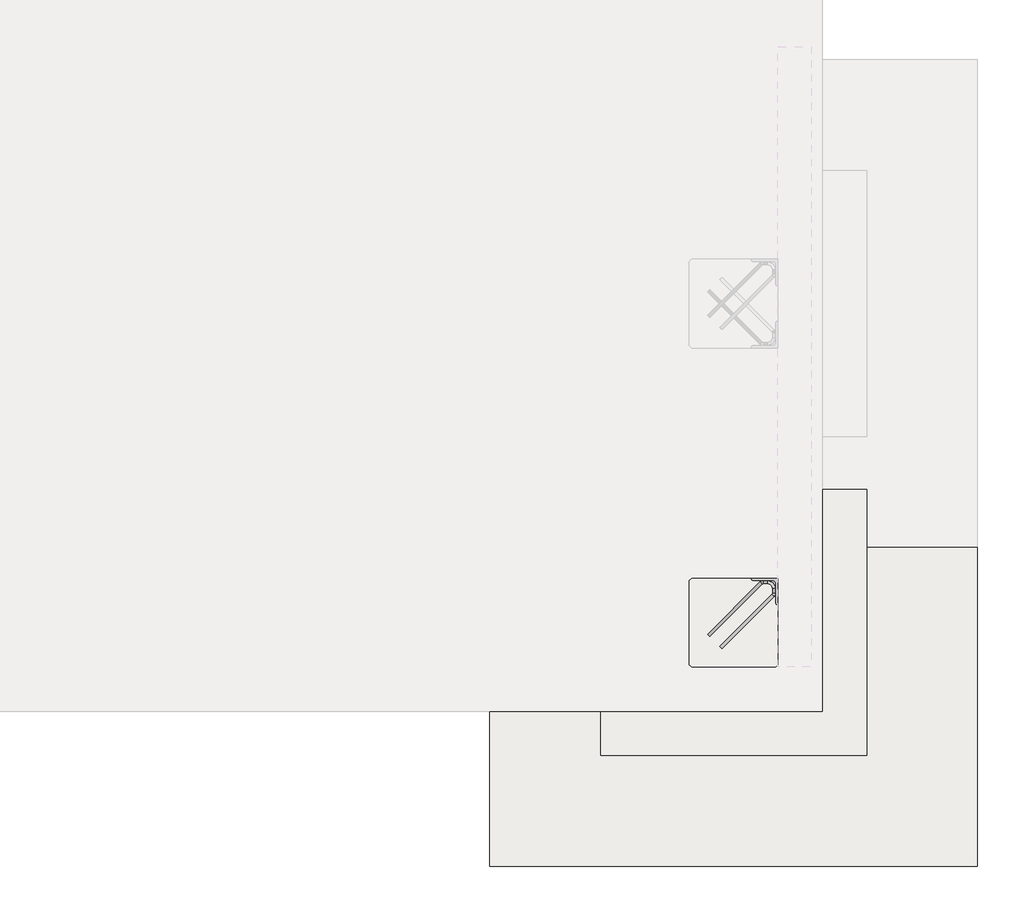
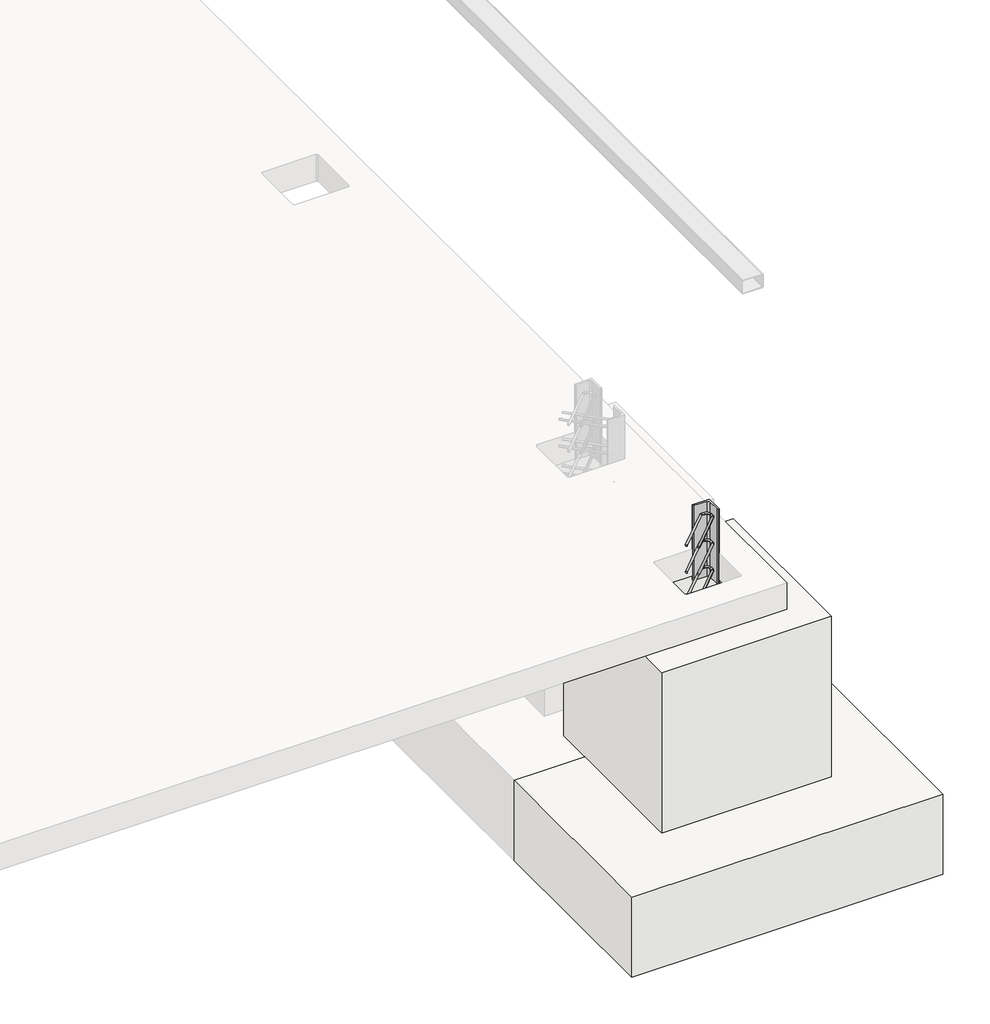
# One storey, part 53 of 65: 1 fastener, 1 slab.
"""IFC4 building model written with IfcOpenShell, lengths in millimetres."""

from ifc_helpers import new_model, si_unit, point, frame, frame_2d, origin, place, context, project, spatial, polyline, circle_curve, ellipse_curve, trimmed, segment, composite_curve, outline, extrude, faceted_brep, element, save
from ifc_brep_helpers import plane_surface, cylinder_surface, revolved_surface, advanced_brep

model = new_model("IFC4")

# Units and contexts
model_context = context("Model", 3, world=origin())
ifc_project = project(units=[si_unit("LENGTHUNIT", "METRE", prefix="MILLI")], contexts=[model_context])

# Site, building, storey
site = spatial("IfcSite", under=ifc_project)
building = spatial("IfcBuilding", under=site)
storey = spatial("IfcBuildingStorey", under=building, Elevation=0.0)

# Fastener
placement = place(None, origin())
element("IfcFastener", 1, at=placement, inside=storey, context=model_context, shape_type="SolidModel", body=[
    advanced_brep(
    [(81882.5628791, 9947.4623741, -150.0), (81892.4623741, 9937.5628791, -150.0), (81947.4623741, 9882.5628791, -150.0), (81937.5628791, 9892.4623741, -150.0), (82176.0, 10153.0, -150.0), (82176.0, 10134.2132034, -150.0), (82190.0, 10134.2132034, -150.0), (82190.0, 10153.0, -150.0), (82153.0, 10190.0, -150.0), (82153.0, 10176.0, -150.0), (82134.2132034, 10176.0, -150.0), (82134.2132034, 10190.0, -150.0), (82128.5563492, 10173.6568542, -150.0), (82118.6568543, 10183.5563492, -150.0), (82173.6568543, 10128.5563492, -150.0), (82183.5563492, 10118.6568542, -150.0)],
    [
        (0, 1, circle_curve(frame((81887.5126266, 9942.5126266, -150.0), z_axis=(-0.7071067811865493, -0.7071067811865459, 0.0), x_axis=(0.7071067811865459, -0.7071067811865493, 0.0)), 7.0)),
        (1, 0, circle_curve(frame((81887.5126266, 9942.5126266, -150.0), z_axis=(-0.7071067811865493, -0.7071067811865459, 0.0), x_axis=(0.7071067811865459, -0.7071067811865493, 0.0)), 7.0)),
        (2, 3, circle_curve(frame((81942.5126266, 9887.5126266, -150.0), z_axis=(-0.7071067811865493, -0.7071067811865457, 0.0), x_axis=(-0.7071067811865457, 0.7071067811865493, 0.0)), 7.0)),
        (3, 2, circle_curve(frame((81942.5126266, 9887.5126266, -150.0), z_axis=(-0.7071067811865493, -0.7071067811865457, 0.0), x_axis=(-0.7071067811865457, 0.7071067811865493, 0.0)), 7.0)),
        (4, 5),
        (5, 6, circle_curve(frame((82183.0, 10134.2132034, -150.0), z_axis=(0.0, 1.0, 0.0), x_axis=(-1.0, 0.0, 0.0)), 7.0)),
        (6, 7),
        (7, 4, circle_curve(frame((82183.0, 10153.0, -150.0), z_axis=(0.0, -1.0, 0.0), x_axis=(-1.0, 0.0, 0.0)), 7.0)),
        (6, 5, circle_curve(frame((82183.0, 10134.2132034, -150.0), z_axis=(0.0, 1.0, 0.0), x_axis=(-1.0, 0.0, 0.0)), 7.0)),
        (4, 7, circle_curve(frame((82183.0, 10153.0, -150.0), z_axis=(0.0, -1.0, 0.0), x_axis=(-1.0, 0.0, 0.0)), 7.0)),
        (7, 8, circle_curve(frame((82153.0, 10153.0, -150.0), z_axis=(0.0, 0.0, 1.0), x_axis=(0.0, 1.0, 0.0)), 37.0)),
        (8, 9, circle_curve(frame((82153.0, 10183.0, -150.0), z_axis=(1.0, 0.0, 0.0), x_axis=(0.0, -1.0, 0.0)), 7.0)),
        (9, 4, circle_curve(frame((82153.0, 10153.0, -150.0), z_axis=(0.0, 0.0, -1.0), x_axis=(0.0, 1.0, 0.0)), 23.0)),
        (9, 8, circle_curve(frame((82153.0, 10183.0, -150.0), z_axis=(1.0, 0.0, 0.0), x_axis=(0.0, -1.0, 0.0)), 7.0)),
        (10, 9),
        (8, 11),
        (11, 10, circle_curve(frame((82134.2132034, 10183.0, -150.0), z_axis=(1.0, 0.0, 0.0), x_axis=(0.0, -1.0, 0.0)), 7.0)),
        (10, 11, circle_curve(frame((82134.2132034, 10183.0, -150.0), z_axis=(1.0, 0.0, 0.0), x_axis=(0.0, -1.0, 0.0)), 7.0)),
        (1, 12),
        (12, 13, circle_curve(frame((82123.6066017, 10178.6066017, -150.0), z_axis=(-0.7071067811865493, -0.7071067811865459, 0.0), x_axis=(0.7071067811865459, -0.7071067811865493, 0.0)), 7.0)),
        (13, 0),
        (13, 12, circle_curve(frame((82123.6066017, 10178.6066017, -150.0), z_axis=(-0.7071067811865493, -0.7071067811865459, 0.0), x_axis=(0.7071067811865459, -0.7071067811865493, 0.0)), 7.0)),
        (11, 13, circle_curve(frame((82134.2132034, 10168.0, -150.0), z_axis=(0.0, 0.0, 1.0), x_axis=(-0.7071067811865459, 0.7071067811865491, 0.0)), 22.0)),
        (12, 10, circle_curve(frame((82134.2132034, 10168.0, -150.0), z_axis=(0.0, 0.0, -1.0), x_axis=(-0.7071067811865459, 0.7071067811865491, 0.0)), 8.0)),
        (14, 15, circle_curve(frame((82178.6066017, 10123.6066017, -150.0), z_axis=(0.7071067811865498, 0.7071067811865452, 0.0), x_axis=(-0.7071067811865452, 0.7071067811865498, 0.0)), 7.0)),
        (15, 6, circle_curve(frame((82168.0, 10134.2132034, -150.0), z_axis=(0.0, 0.0, 1.0), x_axis=(1.0, 0.0, 0.0)), 22.0)),
        (5, 14, circle_curve(frame((82168.0, 10134.2132034, -150.0), z_axis=(0.0, 0.0, -1.0), x_axis=(1.0, 0.0, 0.0)), 8.0)),
        (15, 14, circle_curve(frame((82178.6066017, 10123.6066017, -150.0), z_axis=(0.7071067811865495, 0.7071067811865456, 0.0), x_axis=(-0.7071067811865456, 0.7071067811865495, 0.0)), 7.0)),
        (14, 3),
        (2, 15),
    ],
    [
        plane_surface(frame((81887.5126266, 9942.5126266, -150.0), z_axis=(-0.7071067811865493, -0.7071067811865459, 0.0), x_axis=(0.0, 0.0, 1.0))),
        plane_surface(frame((81942.5126266, 9887.5126266, -150.0), z_axis=(-0.7071067811865493, -0.7071067811865457, 0.0), x_axis=(0.0, 0.0, 1.0))),
        cylinder_surface(frame((82183.0, 10153.0, -150.0), z_axis=(0.0, 1.0, 0.0), x_axis=(-1.0, 0.0, 0.0)), 7.0),
        revolved_surface(trimmed(ellipse_curve(frame((82153.0, 10183.0, -150.0), z_axis=(1.0, 0.0, 0.0), x_axis=(0.0, -1.0, 0.0)), 7.0, 7.0), [point((82153.0, 10190.0, -150.0))], [point((82153.0, 10176.0, -150.0))], True, "CARTESIAN"), (82153.0, 10153.0, -150.0), (0.0, 0.0, 1.0)),
        revolved_surface(trimmed(ellipse_curve(frame((82153.0, 10183.0, -150.0), z_axis=(1.0, 0.0, 0.0), x_axis=(0.0, -1.0, 0.0)), 7.0, 7.0), [point((82153.0, 10176.0, -150.0))], [point((82153.0, 10190.0, -150.0))], True, "CARTESIAN"), (82153.0, 10153.0, -150.0), (0.0, 0.0, 1.0)),
        cylinder_surface(frame((82134.2132034, 10183.0, -150.0), z_axis=(-1.0, 0.0, 0.0), x_axis=(0.0, -1.0, 0.0)), 7.0),
        cylinder_surface(frame((81887.5126266, 9942.5126266, -150.0), z_axis=(-0.7071067811865493, -0.7071067811865459, 0.0), x_axis=(0.7071067811865459, -0.7071067811865493, 0.0)), 7.0),
        revolved_surface(trimmed(ellipse_curve(frame((82123.6066017, 10178.6066017, -150.0), z_axis=(0.7071067811865491, 0.7071067811865459, 0.0), x_axis=(0.7071067811865459, -0.7071067811865491, 0.0)), 7.0, 7.0), [point((82118.6568543, 10183.5563492, -150.0))], [point((82128.5563492, 10173.6568542, -150.0))], True, "CARTESIAN"), (82134.2132034, 10168.0, -150.0), (0.0, 0.0, 1.0)),
        revolved_surface(trimmed(ellipse_curve(frame((82123.6066017, 10178.6066017, -150.0), z_axis=(0.7071067811865491, 0.7071067811865459, 0.0), x_axis=(0.7071067811865459, -0.7071067811865491, 0.0)), 7.0, 7.0), [point((82128.5563492, 10173.6568542, -150.0))], [point((82118.6568543, 10183.5563492, -150.0))], True, "CARTESIAN"), (82134.2132034, 10168.0, -150.0), (0.0, 0.0, 1.0)),
        revolved_surface(trimmed(ellipse_curve(frame((82183.0, 10134.2132034, -150.0), z_axis=(0.0, -1.0, 0.0), x_axis=(-1.0, 0.0, 0.0)), 7.0, 7.0), [point((82190.0, 10134.2132034, -150.0))], [point((82176.0, 10134.2132034, -150.0))], True, "CARTESIAN"), (82168.0, 10134.2132034, -150.0), (0.0, 0.0, 1.0)),
        revolved_surface(trimmed(ellipse_curve(frame((82183.0, 10134.2132034, -150.0), z_axis=(0.0, -1.0, 0.0), x_axis=(-1.0, 0.0, 0.0)), 7.0, 7.0), [point((82176.0, 10134.2132034, -150.0))], [point((82190.0, 10134.2132034, -150.0))], True, "CARTESIAN"), (82168.0, 10134.2132034, -150.0), (0.0, 0.0, 1.0)),
        cylinder_surface(frame((82178.6066017, 10123.6066017, -150.0), z_axis=(0.7071067811865493, 0.7071067811865457, 0.0), x_axis=(-0.7071067811865457, 0.7071067811865493, 0.0)), 7.0),
    ],
    [
        (0, [[1, 2]]),
        (1, [[3, 4]]),
        (2, [[5, 6, 7, 8]]),
        (2, [[-7, 9, -5, 10]]),
        (3, [[-8, 11, 12, 13]]),
        (4, [[-10, -13, 14, -11]]),
        (5, [[15, -12, 16, 17]]),
        (5, [[-16, -14, -15, 18]]),
        (6, [[19, 20, 21, -2]]),
        (6, [[-21, 22, -19, -1]]),
        (7, [[-17, 23, -20, 24]]),
        (8, [[-18, -24, -22, -23]]),
        (9, [[25, 26, -6, 27]]),
        (10, [[28, -27, -9, -26]]),
        (11, [[29, -3, 30, -25]]),
        (11, [[-30, -4, -29, -28]]),
    ],
),
    advanced_brep(
    [(81892.4623741, 9937.5628791, 250.0), (81882.5628791, 9947.4623741, 250.0), (81937.5628791, 9892.4623741, 250.0), (81947.4623741, 9882.5628791, 250.0), (82190.0, 10153.0, 250.0), (82190.0, 10134.2132034, 250.0), (82176.0, 10134.2132034, 250.0), (82176.0, 10153.0, 250.0), (82153.0, 10176.0, 250.0), (82153.0, 10190.0, 250.0), (82134.2132034, 10190.0, 250.0), (82134.2132034, 10176.0, 250.0), (82118.6568543, 10183.5563492, 250.0), (82128.5563492, 10173.6568542, 250.0), (82183.5563492, 10118.6568542, 250.0), (82173.6568543, 10128.5563492, 250.0)],
    [
        (0, 1, circle_curve(frame((81887.5126266, 9942.5126266, 250.0), z_axis=(-0.7071067811865493, -0.7071067811865459, 0.0), x_axis=(-0.7071067811865459, 0.7071067811865493, 0.0)), 7.0)),
        (1, 0, circle_curve(frame((81887.5126266, 9942.5126266, 250.0), z_axis=(-0.7071067811865493, -0.7071067811865459, 0.0), x_axis=(-0.7071067811865459, 0.7071067811865493, 0.0)), 7.0)),
        (2, 3, circle_curve(frame((81942.5126266, 9887.5126266, 250.0), z_axis=(-0.7071067811865493, -0.7071067811865458, 0.0), x_axis=(0.7071067811865458, -0.7071067811865493, 0.0)), 7.0)),
        (3, 2, circle_curve(frame((81942.5126266, 9887.5126266, 250.0), z_axis=(-0.7071067811865493, -0.7071067811865458, 0.0), x_axis=(0.7071067811865458, -0.7071067811865493, 0.0)), 7.0)),
        (4, 5),
        (5, 6, circle_curve(frame((82183.0, 10134.2132034, 250.0), z_axis=(0.0, 1.0, 0.0), x_axis=(1.0, 0.0, 0.0)), 7.0)),
        (6, 7),
        (7, 4, circle_curve(frame((82183.0, 10153.0, 250.0), z_axis=(0.0, -1.0, 0.0), x_axis=(1.0, 0.0, 0.0)), 7.0)),
        (6, 5, circle_curve(frame((82183.0, 10134.2132034, 250.0), z_axis=(0.0, 1.0, 0.0), x_axis=(1.0, 0.0, 0.0)), 7.0)),
        (4, 7, circle_curve(frame((82183.0, 10153.0, 250.0), z_axis=(0.0, -1.0, 0.0), x_axis=(1.0, 0.0, 0.0)), 7.0)),
        (7, 8, circle_curve(frame((82153.0, 10153.0, 250.0), z_axis=(0.0, 0.0, 1.0), x_axis=(0.0, 1.0, 0.0)), 23.0)),
        (8, 9, circle_curve(frame((82153.0, 10183.0, 250.0), z_axis=(1.0, 0.0, 0.0), x_axis=(0.0, 1.0, 0.0)), 7.0)),
        (9, 4, circle_curve(frame((82153.0, 10153.0, 250.0), z_axis=(0.0, 0.0, -1.0), x_axis=(0.0, 1.0, 0.0)), 37.0)),
        (9, 8, circle_curve(frame((82153.0, 10183.0, 250.0), z_axis=(1.0, 0.0, 0.0), x_axis=(0.0, 1.0, 0.0)), 7.0)),
        (10, 9),
        (8, 11),
        (11, 10, circle_curve(frame((82134.2132034, 10183.0, 250.0), z_axis=(1.0, 0.0, 0.0), x_axis=(0.0, 1.0, 0.0)), 7.0)),
        (10, 11, circle_curve(frame((82134.2132034, 10183.0, 250.0), z_axis=(1.0, 0.0, 0.0), x_axis=(0.0, 1.0, 0.0)), 7.0)),
        (1, 12),
        (12, 13, circle_curve(frame((82123.6066017, 10178.6066017, 250.0), z_axis=(-0.7071067811865493, -0.7071067811865459, 0.0), x_axis=(-0.7071067811865459, 0.7071067811865493, 0.0)), 7.0)),
        (13, 0),
        (13, 12, circle_curve(frame((82123.6066017, 10178.6066017, 250.0), z_axis=(-0.7071067811865493, -0.7071067811865459, 0.0), x_axis=(-0.7071067811865459, 0.7071067811865493, 0.0)), 7.0)),
        (11, 13, circle_curve(frame((82134.2132034, 10168.0, 250.0), z_axis=(0.0, 0.0, 1.0), x_axis=(-0.7071067811865459, 0.7071067811865491, 0.0)), 8.0)),
        (12, 10, circle_curve(frame((82134.2132034, 10168.0, 250.0), z_axis=(0.0, 0.0, -1.0), x_axis=(-0.7071067811865459, 0.7071067811865491, 0.0)), 22.0)),
        (14, 15, circle_curve(frame((82178.6066017, 10123.6066017, 250.0), z_axis=(0.70710678118655, 0.707106781186545, 0.0), x_axis=(0.707106781186545, -0.70710678118655, 0.0)), 7.0)),
        (15, 6, circle_curve(frame((82168.0, 10134.2132034, 250.0), z_axis=(0.0, 0.0, 1.0), x_axis=(1.0, 0.0, 0.0)), 8.0)),
        (5, 14, circle_curve(frame((82168.0, 10134.2132034, 250.0), z_axis=(0.0, 0.0, -1.0), x_axis=(1.0, 0.0, 0.0)), 22.0)),
        (15, 14, circle_curve(frame((82178.6066017, 10123.6066017, 250.0), z_axis=(0.707106781186551, 0.707106781186544, 0.0), x_axis=(0.707106781186544, -0.707106781186551, 0.0)), 7.0)),
        (14, 3),
        (2, 15),
    ],
    [
        plane_surface(frame((81887.5126266, 9942.5126266, 250.0), z_axis=(-0.7071067811865493, -0.7071067811865459, 0.0), x_axis=(0.0, 0.0, -1.0))),
        plane_surface(frame((81942.5126266, 9887.5126266, 250.0), z_axis=(-0.7071067811865493, -0.7071067811865458, 0.0), x_axis=(0.0, 0.0, -1.0))),
        cylinder_surface(frame((82183.0, 10153.0, 250.0), z_axis=(0.0, 1.0, 0.0), x_axis=(1.0, 0.0, 0.0)), 7.0),
        revolved_surface(trimmed(ellipse_curve(frame((82153.0, 10183.0, 250.0), z_axis=(1.0, 0.0, 0.0), x_axis=(0.0, 1.0, 0.0)), 7.0, 7.0), [point((82153.0, 10176.0, 250.0))], [point((82153.0, 10190.0, 250.0))], True, "CARTESIAN"), (82153.0, 10153.0, 250.0), (0.0, 0.0, 1.0)),
        revolved_surface(trimmed(ellipse_curve(frame((82153.0, 10183.0, 250.0), z_axis=(1.0, 0.0, 0.0), x_axis=(0.0, 1.0, 0.0)), 7.0, 7.0), [point((82153.0, 10190.0, 250.0))], [point((82153.0, 10176.0, 250.0))], True, "CARTESIAN"), (82153.0, 10153.0, 250.0), (0.0, 0.0, 1.0)),
        cylinder_surface(frame((82134.2132034, 10183.0, 250.0), z_axis=(-1.0, 0.0, 0.0), x_axis=(0.0, 1.0, 0.0)), 7.0),
        cylinder_surface(frame((81887.5126266, 9942.5126266, 250.0), z_axis=(-0.7071067811865493, -0.7071067811865459, 0.0), x_axis=(-0.7071067811865459, 0.7071067811865493, 0.0)), 7.0),
        revolved_surface(trimmed(ellipse_curve(frame((82123.6066017, 10178.6066017, 250.0), z_axis=(0.7071067811865491, 0.7071067811865459, 0.0), x_axis=(-0.7071067811865459, 0.7071067811865491, 0.0)), 7.0, 7.0), [point((82128.5563492, 10173.6568542, 250.0))], [point((82118.6568543, 10183.5563492, 250.0))], True, "CARTESIAN"), (82134.2132034, 10168.0, 250.0), (0.0, 0.0, 1.0)),
        revolved_surface(trimmed(ellipse_curve(frame((82123.6066017, 10178.6066017, 250.0), z_axis=(0.7071067811865491, 0.7071067811865459, 0.0), x_axis=(-0.7071067811865459, 0.7071067811865491, 0.0)), 7.0, 7.0), [point((82118.6568543, 10183.5563492, 250.0))], [point((82128.5563492, 10173.6568542, 250.0))], True, "CARTESIAN"), (82134.2132034, 10168.0, 250.0), (0.0, 0.0, 1.0)),
        revolved_surface(trimmed(ellipse_curve(frame((82183.0, 10134.2132034, 250.0), z_axis=(0.0, -1.0, 0.0), x_axis=(1.0, 0.0, 0.0)), 7.0, 7.0), [point((82176.0, 10134.2132034, 250.0))], [point((82190.0, 10134.2132034, 250.0))], True, "CARTESIAN"), (82168.0, 10134.2132034, 250.0), (0.0, 0.0, 1.0)),
        revolved_surface(trimmed(ellipse_curve(frame((82183.0, 10134.2132034, 250.0), z_axis=(0.0, -1.0, 0.0), x_axis=(1.0, 0.0, 0.0)), 7.0, 7.0), [point((82190.0, 10134.2132034, 250.0))], [point((82176.0, 10134.2132034, 250.0))], True, "CARTESIAN"), (82168.0, 10134.2132034, 250.0), (0.0, 0.0, 1.0)),
        cylinder_surface(frame((82178.6066017, 10123.6066017, 250.0), z_axis=(0.7071067811865493, 0.7071067811865458, 0.0), x_axis=(0.7071067811865458, -0.7071067811865493, 0.0)), 7.0),
    ],
    [
        (0, [[1, 2]]),
        (1, [[3, 4]]),
        (2, [[5, 6, 7, 8]]),
        (2, [[-7, 9, -5, 10]]),
        (3, [[-8, 11, 12, 13]]),
        (4, [[-10, -13, 14, -11]]),
        (5, [[15, -12, 16, 17]]),
        (5, [[-16, -14, -15, 18]]),
        (6, [[19, 20, 21, -2]]),
        (6, [[-21, 22, -19, -1]]),
        (7, [[-17, 23, -20, 24]]),
        (8, [[-18, -24, -22, -23]]),
        (9, [[25, 26, -6, 27]]),
        (10, [[28, -27, -9, -26]]),
        (11, [[29, -3, 30, -25]]),
        (11, [[-30, -4, -29, -28]]),
    ],
),
    advanced_brep(
    [(81892.4623741, 9937.5628791, 50.0), (81882.5628791, 9947.4623741, 50.0), (81937.5628791, 9892.4623741, 50.0), (81947.4623741, 9882.5628791, 50.0), (82190.0, 10153.0, 50.0), (82190.0, 10134.2132034, 50.0), (82176.0, 10134.2132034, 50.0), (82176.0, 10153.0, 50.0), (82153.0, 10176.0, 50.0), (82153.0, 10190.0, 50.0), (82134.2132034, 10190.0, 50.0), (82134.2132034, 10176.0, 50.0), (82118.6568543, 10183.5563492, 50.0), (82128.5563492, 10173.6568542, 50.0), (82183.5563492, 10118.6568542, 50.0), (82173.6568543, 10128.5563492, 50.0)],
    [
        (0, 1, circle_curve(frame((81887.5126266, 9942.5126266, 50.0), z_axis=(-0.7071067811865492, -0.7071067811865458, 0.0), x_axis=(-0.7071067811865458, 0.7071067811865492, 0.0)), 7.0)),
        (1, 0, circle_curve(frame((81887.5126266, 9942.5126266, 50.0), z_axis=(-0.7071067811865492, -0.7071067811865458, 0.0), x_axis=(-0.7071067811865458, 0.7071067811865492, 0.0)), 7.0)),
        (2, 3, circle_curve(frame((81942.5126266, 9887.5126266, 50.0), z_axis=(-0.7071067811865493, -0.7071067811865458, 0.0), x_axis=(0.7071067811865458, -0.7071067811865493, 0.0)), 7.0)),
        (3, 2, circle_curve(frame((81942.5126266, 9887.5126266, 50.0), z_axis=(-0.7071067811865493, -0.7071067811865458, 0.0), x_axis=(0.7071067811865458, -0.7071067811865493, 0.0)), 7.0)),
        (4, 5),
        (5, 6, circle_curve(frame((82183.0, 10134.2132034, 50.0), z_axis=(0.0, 1.0, 0.0), x_axis=(1.0, 0.0, 0.0)), 7.0)),
        (6, 7),
        (7, 4, circle_curve(frame((82183.0, 10153.0, 50.0), z_axis=(0.0, -1.0, 0.0), x_axis=(1.0, 0.0, 0.0)), 7.0)),
        (6, 5, circle_curve(frame((82183.0, 10134.2132034, 50.0), z_axis=(0.0, 1.0, 0.0), x_axis=(1.0, 0.0, 0.0)), 7.0)),
        (4, 7, circle_curve(frame((82183.0, 10153.0, 50.0), z_axis=(0.0, -1.0, 0.0), x_axis=(1.0, 0.0, 0.0)), 7.0)),
        (7, 8, circle_curve(frame((82153.0, 10153.0, 50.0), z_axis=(0.0, 0.0, 1.0), x_axis=(0.0, 1.0, 0.0)), 23.0)),
        (8, 9, circle_curve(frame((82153.0, 10183.0, 50.0), z_axis=(1.0, 0.0, 0.0), x_axis=(0.0, 1.0, 0.0)), 7.0)),
        (9, 4, circle_curve(frame((82153.0, 10153.0, 50.0), z_axis=(0.0, 0.0, -1.0), x_axis=(0.0, 1.0, 0.0)), 37.0)),
        (9, 8, circle_curve(frame((82153.0, 10183.0, 50.0), z_axis=(1.0, 0.0, 0.0), x_axis=(0.0, 1.0, 0.0)), 7.0)),
        (10, 9),
        (8, 11),
        (11, 10, circle_curve(frame((82134.2132034, 10183.0, 50.0), z_axis=(1.0, 0.0, 0.0), x_axis=(0.0, 1.0, 0.0)), 7.0)),
        (10, 11, circle_curve(frame((82134.2132034, 10183.0, 50.0), z_axis=(1.0, 0.0, 0.0), x_axis=(0.0, 1.0, 0.0)), 7.0)),
        (1, 12),
        (12, 13, circle_curve(frame((82123.6066017, 10178.6066017, 50.0), z_axis=(-0.7071067811865492, -0.7071067811865458, 0.0), x_axis=(-0.7071067811865458, 0.7071067811865492, 0.0)), 7.0)),
        (13, 0),
        (13, 12, circle_curve(frame((82123.6066017, 10178.6066017, 50.0), z_axis=(-0.7071067811865492, -0.7071067811865458, 0.0), x_axis=(-0.7071067811865458, 0.7071067811865492, 0.0)), 7.0)),
        (11, 13, circle_curve(frame((82134.2132034, 10168.0, 50.0), z_axis=(0.0, 0.0, 1.0), x_axis=(-0.7071067811865459, 0.7071067811865491, 0.0)), 8.0)),
        (12, 10, circle_curve(frame((82134.2132034, 10168.0, 50.0), z_axis=(0.0, 0.0, -1.0), x_axis=(-0.7071067811865459, 0.7071067811865491, 0.0)), 22.0)),
        (14, 15, circle_curve(frame((82178.6066017, 10123.6066017, 50.0), z_axis=(0.7071067811865495, 0.7071067811865456, 0.0), x_axis=(0.7071067811865456, -0.7071067811865495, 0.0)), 7.0)),
        (15, 6, circle_curve(frame((82168.0, 10134.2132034, 50.0), z_axis=(0.0, 0.0, 1.0), x_axis=(1.0, 0.0, 0.0)), 8.0)),
        (5, 14, circle_curve(frame((82168.0, 10134.2132034, 50.0), z_axis=(0.0, 0.0, -1.0), x_axis=(1.0, 0.0, 0.0)), 22.0)),
        (15, 14, circle_curve(frame((82178.6066017, 10123.6066017, 50.0), z_axis=(0.7071067811865493, 0.7071067811865457, 0.0), x_axis=(0.7071067811865457, -0.7071067811865493, 0.0)), 7.0)),
        (14, 3),
        (2, 15),
    ],
    [
        plane_surface(frame((81887.5126266, 9942.5126266, 50.0), z_axis=(-0.7071067811865492, -0.7071067811865458, 0.0), x_axis=(0.0, 0.0, -1.0))),
        plane_surface(frame((81942.5126266, 9887.5126266, 50.0), z_axis=(-0.7071067811865495, -0.7071067811865457, 0.0), x_axis=(0.0, 0.0, -1.0))),
        cylinder_surface(frame((82183.0, 10153.0, 50.0), z_axis=(0.0, 1.0, 0.0), x_axis=(1.0, 0.0, 0.0)), 7.0),
        revolved_surface(trimmed(ellipse_curve(frame((82153.0, 10183.0, 50.0), z_axis=(1.0, 0.0, 0.0), x_axis=(0.0, 1.0, 0.0)), 7.0, 7.0), [point((82153.0, 10176.0, 50.0))], [point((82153.0, 10190.0, 50.0))], True, "CARTESIAN"), (82153.0, 10153.0, 50.0), (0.0, 0.0, 1.0)),
        revolved_surface(trimmed(ellipse_curve(frame((82153.0, 10183.0, 50.0), z_axis=(1.0, 0.0, 0.0), x_axis=(0.0, 1.0, 0.0)), 7.0, 7.0), [point((82153.0, 10190.0, 50.0))], [point((82153.0, 10176.0, 50.0))], True, "CARTESIAN"), (82153.0, 10153.0, 50.0), (0.0, 0.0, 1.0)),
        cylinder_surface(frame((82134.2132034, 10183.0, 50.0), z_axis=(-1.0, 0.0, 0.0), x_axis=(0.0, 1.0, 0.0)), 7.0),
        cylinder_surface(frame((81887.5126266, 9942.5126266, 50.0), z_axis=(-0.7071067811865492, -0.7071067811865458, 0.0), x_axis=(-0.7071067811865458, 0.7071067811865492, 0.0)), 7.0),
        revolved_surface(trimmed(ellipse_curve(frame((82123.6066017, 10178.6066017, 50.0), z_axis=(0.707106781186549, 0.707106781186546, 0.0), x_axis=(-0.707106781186546, 0.707106781186549, 0.0)), 7.0, 7.0), [point((82128.5563492, 10173.6568542, 50.0))], [point((82118.6568543, 10183.5563492, 50.0))], True, "CARTESIAN"), (82134.2132034, 10168.0, 50.0), (0.0, 0.0, 1.0)),
        revolved_surface(trimmed(ellipse_curve(frame((82123.6066017, 10178.6066017, 50.0), z_axis=(0.707106781186549, 0.707106781186546, 0.0), x_axis=(-0.707106781186546, 0.707106781186549, 0.0)), 7.0, 7.0), [point((82118.6568543, 10183.5563492, 50.0))], [point((82128.5563492, 10173.6568542, 50.0))], True, "CARTESIAN"), (82134.2132034, 10168.0, 50.0), (0.0, 0.0, 1.0)),
        revolved_surface(trimmed(ellipse_curve(frame((82183.0, 10134.2132034, 50.0), z_axis=(0.0, -1.0, 0.0), x_axis=(1.0, 0.0, 0.0)), 7.0, 7.0), [point((82176.0, 10134.2132034, 50.0))], [point((82190.0, 10134.2132034, 50.0))], True, "CARTESIAN"), (82168.0, 10134.2132034, 50.0), (0.0, 0.0, 1.0)),
        revolved_surface(trimmed(ellipse_curve(frame((82183.0, 10134.2132034, 50.0), z_axis=(0.0, -1.0, 0.0), x_axis=(1.0, 0.0, 0.0)), 7.0, 7.0), [point((82190.0, 10134.2132034, 50.0))], [point((82176.0, 10134.2132034, 50.0))], True, "CARTESIAN"), (82168.0, 10134.2132034, 50.0), (0.0, 0.0, 1.0)),
        cylinder_surface(frame((82178.6066017, 10123.6066017, 50.0), z_axis=(0.7071067811865493, 0.7071067811865458, 0.0), x_axis=(0.7071067811865458, -0.7071067811865493, 0.0)), 7.0),
    ],
    [
        (0, [[1, 2]]),
        (1, [[3, 4]]),
        (2, [[5, 6, 7, 8]]),
        (2, [[-7, 9, -5, 10]]),
        (3, [[-8, 11, 12, 13]]),
        (4, [[-10, -13, 14, -11]]),
        (5, [[15, -12, 16, 17]]),
        (5, [[-16, -14, -15, 18]]),
        (6, [[19, 20, 21, -2]]),
        (6, [[-21, 22, -19, -1]]),
        (7, [[-17, 23, -20, 24]]),
        (8, [[-18, -24, -22, -23]]),
        (9, [[25, 26, -6, 27]]),
        (10, [[28, -27, -9, -26]]),
        (11, [[29, -3, 30, -25]]),
        (11, [[-30, -4, -29, -28]]),
    ],
),
    extrude(outline(composite_curve([segment(polyline([(82200.0, 10200.0), (82200.0, 10080.0), (82196.5, 10080.0)]), True, "CONTINUOUS"), segment(trimmed(circle_curve(frame_2d((82196.5, 10086.5)), 6.5), [point((82196.5, 10080.0))], [point((82190.0, 10086.5))], False, "CARTESIAN"), True, "CONTINUOUS"), segment(polyline([(82190.0, 10086.5), (82190.0, 10177.0)]), True, "CONTINUOUS"), segment(trimmed(circle_curve(frame_2d((82177.0, 10177.0)), 13.0), [point((82190.0, 10177.0))], [point((82177.0, 10190.0))], True, "CARTESIAN"), True, "CONTINUOUS"), segment(polyline([(82177.0, 10190.0), (82086.5, 10190.0)]), True, "CONTINUOUS"), segment(trimmed(circle_curve(frame_2d((82086.5, 10196.5)), 6.5), [point((82086.5, 10190.0))], [point((82080.0, 10196.5))], False, "CARTESIAN"), True, "CONTINUOUS"), segment(polyline([(82080.0, 10196.5), (82080.0, 10200.0), (82200.0, 10200.0)]), True, "CONTINUOUS")], self_intersect=False)), frame((0.0, 0.0, -230.0), z_axis=(0.0, 0.0, 1.0), x_axis=(1.0, 0.0, 0.0)), (0.0, 0.0, 1.0), 560.0),
])

# Slab
element("IfcSlab", 2, ObjectType="F2.2x2.2x0.6m P1.2x1.2x1.2m", at=placement, inside=storey, context=model_context, shape_type="Brep", body=[
    faceted_brep([(80900.0, 8900.0, -2000.0), (83100.0, 8900.0, -2000.0), (83100.0, 8900.0, -1400.0), (80900.0, 8900.0, -1400.0), (83100.0, 10340.0, -1400.0), (82600.0, 10340.0, -1400.0), (82600.0, 9400.0, -1400.0), (81400.0, 9400.0, -1400.0), (81400.0, 10340.0, -1400.0), (80900.0, 10340.0, -1400.0), (81400.0, 10600.0, -1400.0), (81400.0, 10600.0, -200.0), (82600.0, 10600.0, -200.0), (82600.0, 10600.0, -1400.0), (81725.0, 10275.0, -1400.0), (81725.0, 9725.0, -1400.0), (82275.0, 9725.0, -1400.0), (82275.0, 10275.0, -1400.0), (81400.0, 9400.0, -200.0), (82600.0, 9400.0, -200.0), (81650.0, 9650.0, -200.0), (81650.0, 10350.0, -200.0), (82350.0, 10350.0, -200.0), (82350.0, 9650.0, -200.0), (80900.0, 10340.0, -2000.0), (83100.0, 10340.0, -2000.0)], [[[0, 1, 2, 3]], [[3, 2, 4, 5, 6, 7, 8, 9]], [[10, 11, 12, 13]], [[14, 15, 16, 17]], [[11, 18, 19, 12], [20, 21, 22, 23]], [[1, 0, 24, 25]], [[0, 3, 9, 24]], [[2, 1, 25, 4]], [[12, 19, 6, 5, 13]], [[19, 18, 7, 6]], [[18, 11, 10, 8, 7]], [[21, 20, 15, 14]], [[20, 23, 16, 15]], [[23, 22, 17, 16]], [[17, 22, 21, 14]], [[8, 5, 4, 25, 24, 9]], [[5, 8, 10, 13]]]),
])

save(model, "model.ifc")
